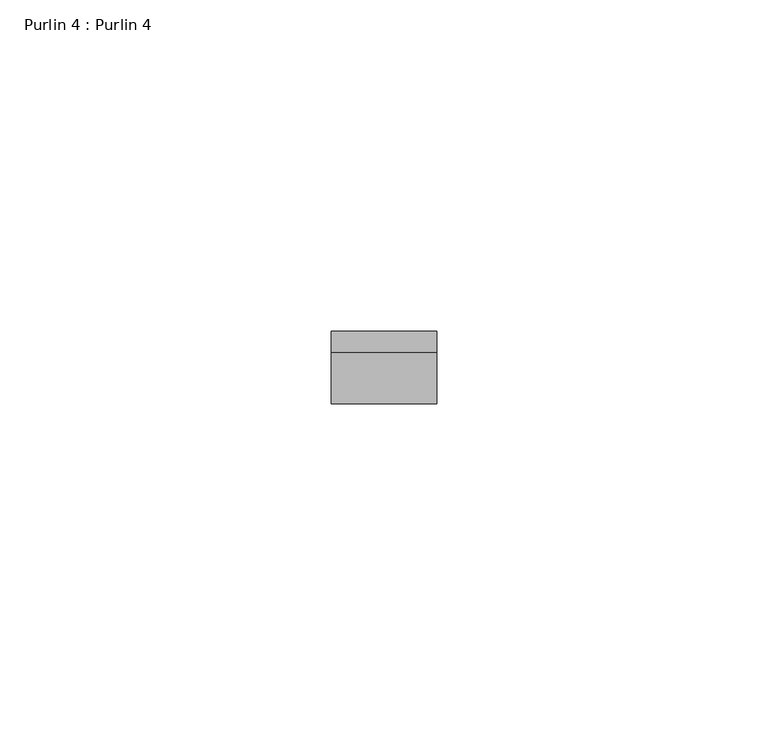
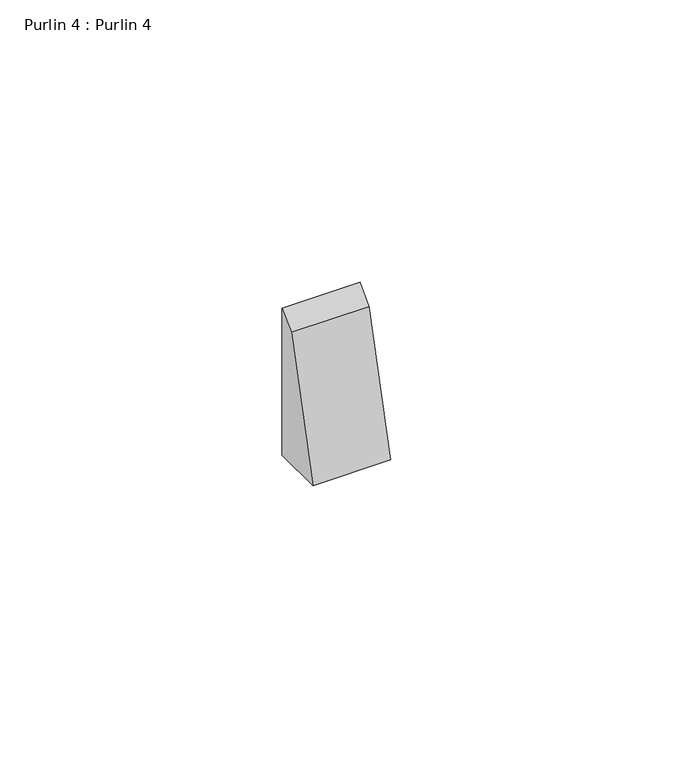
"""IFC4 building model written with IfcOpenShell, lengths in millimetres: proxy geometry, Purlin 4 : Purlin 4."""

from ifc_helpers import new_model, si_unit, frame, origin, place, context, project, spatial, polyline, outline, extrude, source, transform, mapped, element, save


def purlin_4_purlin_4_96557dc5(model_context):
    return source(origin(), model_context, "Body", "SweptSolid", [
        extrude(outline(polyline([(759.0968813, 1697.3388958), (766.7358547, 1725.8479327), (769.9768177, 1729.0888958), (769.9768177, 1697.3388958), (759.0968813, 1697.3388958)])), frame((-5138.086916, 0.0, 0.0), z_axis=(1.0, 0.0, 0.0), x_axis=(0.0, 1.0, 0.0)), (0.0, 0.0, 1.0), 15.869307),
    ])


if __name__ == "__main__":
    model = new_model("IFC4")
    model_context = context("Model", 3, world=origin())
    ifc_project = project(units=[si_unit("LENGTHUNIT", "METRE", prefix="MILLI")], contexts=[model_context])
    site = spatial("IfcSite", under=ifc_project)
    building = spatial("IfcBuilding", under=site)
    placement = place(None, origin())
    purlin_4_purlin_4_shape = purlin_4_purlin_4_96557dc5(model_context)
    element("IfcBuildingElementProxy", 1, Name="Purlin 4 : Purlin 4", ObjectType="Purlin 4 : Purlin 4", at=placement, inside=building, context=model_context, shape_type="MappedRepresentation", body=[
        mapped(purlin_4_purlin_4_shape, transform((0.0, 0.0, 0.0), x_axis=(1.0, 0.0, 0.0), y_axis=(0.0, 1.0, 0.0), z_axis=(0.0, 0.0, 1.0))),
    ])
    save(model, "model.ifc")
